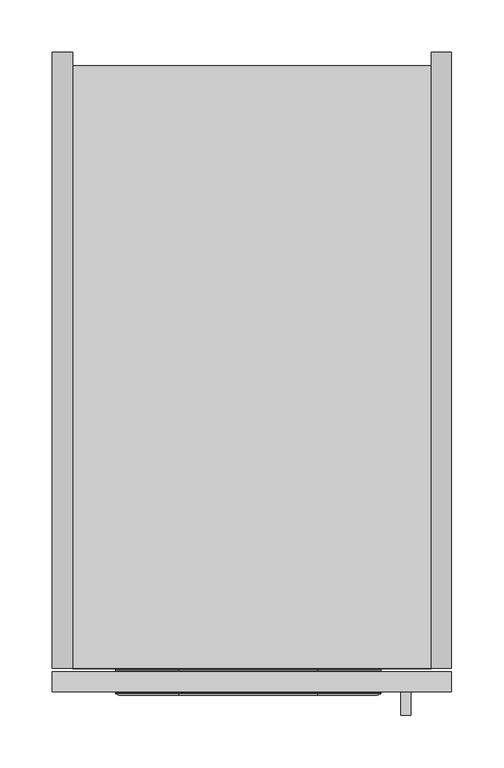
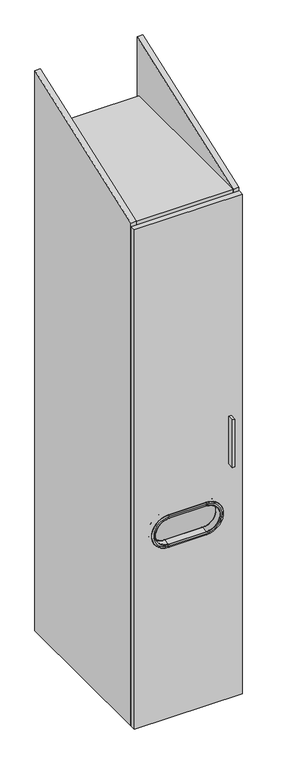
"""IFC4 building model written with IfcOpenShell, lengths in millimetres: furniture geometry."""

from ifc_helpers import new_model, si_unit, point, frame, frame_2d, origin, place, context, project, spatial, polyline, circle_curve, ellipse_curve, trimmed, segment, composite_curve, outline, extrude, source, transform, mapped, element, save
from ifc_brep_helpers import plane_surface, cylinder_surface, revolved_surface, advanced_brep


def furniture_2335bce4(model_context):
    return source(origin(), model_context, "Body", "SolidModel", [
        advanced_brep(
        [(253.6151653, -589.534, 751.5596495), (253.6151653, -589.534, 852.3976495), (253.6151653, -609.854, 852.3976495), (253.6151653, -609.854, 751.5596495), (253.6151653, -612.8512, 753.5037549), (253.6151653, -612.8512, 850.4535441), (253.6151653, -612.2580346, 849.8393034), (253.6151653, -612.2580346, 754.1179956), (253.6151653, -611.5287336, 742.0414745), (253.6151653, -611.5287336, 861.9158245), (253.6151653, -612.8512, 856.9544255), (253.6151653, -612.8512, 747.0028735), (253.6151653, -610.8578403, 741.6291455), (253.6151653, -610.8578403, 862.3281535), (253.6151653, -609.854, 741.5765364), (253.6151653, -609.854, 862.3807626), (120.2651653, -609.854, 751.5596495), (120.2651653, -589.534, 751.5596495), (120.2651653, -612.2580346, 754.1179956), (120.2651653, -612.8512, 753.5037549), (120.2651653, -612.8512, 747.0028735), (120.2651653, -611.5287336, 742.0414745), (120.2651653, -610.8578403, 741.6291455), (120.2651653, -609.854, 741.5765364), (120.2651653, -589.534, 852.3976495), (120.2651653, -609.854, 852.3976495), (120.2651653, -612.8512, 850.4535441), (120.2651653, -612.2580346, 849.8393034), (120.2651653, -611.5287336, 861.9158245), (120.2651653, -612.8512, 856.9544255), (120.2651653, -610.8578403, 862.3281535), (120.2651653, -609.854, 862.3807626), (253.6151653, -588.5301597, 741.6291455), (253.6151653, -588.5301597, 862.3281535), (253.6151653, -589.534, 862.3807626), (253.6151653, -589.534, 741.5765364), (253.6151653, -587.8592664, 742.0414745), (253.6151653, -587.8592664, 861.9158245), (253.6151653, -586.5368, 747.0028735), (253.6151653, -586.5368, 856.9544255), (253.6151653, -587.1299654, 754.1179956), (253.6151653, -587.1299654, 849.8393034), (253.6151653, -586.5368, 850.4535441), (253.6151653, -586.5368, 753.5037549), (120.2651653, -589.534, 741.5765364), (120.2651653, -588.5301597, 741.6291455), (120.2651653, -587.8592664, 742.0414745), (120.2651653, -586.5368, 747.0028735), (120.2651653, -586.5368, 753.5037549), (120.2651653, -587.1299654, 754.1179956), (120.2651653, -588.5301597, 862.3281535), (120.2651653, -589.534, 862.3807626), (120.2651653, -587.8592664, 861.9158245), (120.2651653, -586.5368, 856.9544255), (120.2651653, -587.1299654, 849.8393034), (120.2651653, -586.5368, 850.4535441)],
        [
            (0, 1, circle_curve(frame((253.6151653, -589.534, 801.9786495), z_axis=(0.0, -1.0, 0.0), x_axis=(0.0, 0.0, 1.0)), 50.419)),
            (1, 2),
            (2, 3, circle_curve(frame((253.6151653, -609.854, 801.9786495), z_axis=(0.0, 1.0, 0.0), x_axis=(0.0, 0.0, 1.0)), 50.419)),
            (3, 0),
            (4, 5, circle_curve(frame((253.6151653, -612.8512, 801.9786495), z_axis=(0.0, -1.0, 0.0), x_axis=(0.0, 0.0, 1.0)), 48.4748946)),
            (5, 6, circle_curve(frame((253.6151653, -612.2365849, 850.4535441), z_axis=(1.0, 0.0, 0.0), x_axis=(0.0, 0.0, 1.0)), 0.6146151)),
            (6, 7, circle_curve(frame((253.6151653, -612.2580346, 801.9786495), z_axis=(0.0, 1.0, 0.0), x_axis=(0.0, 0.0, 1.0)), 47.8606539)),
            (7, 4, circle_curve(frame((253.6151653, -612.2365849, 753.5037549), z_axis=(1.0, 0.0, 0.0), x_axis=(0.0, 0.0, -1.0)), 0.6146151)),
            (8, 9, circle_curve(frame((253.6151653, -611.5287336, 801.9786495), z_axis=(0.0, -1.0, 0.0), x_axis=(0.0, 0.0, 1.0)), 59.937175)),
            (9, 10, circle_curve(frame((253.6151653, -602.883311, 856.9544255), z_axis=(1.0, 0.0, 0.0), x_axis=(0.0, 0.0, 1.0)), 9.967889)),
            (10, 11, circle_curve(frame((253.6151653, -612.8512, 801.9786495), z_axis=(0.0, 1.0, 0.0), x_axis=(0.0, 0.0, 1.0)), 54.975776)),
            (11, 8, circle_curve(frame((253.6151653, -602.883311, 747.0028735), z_axis=(1.0, 0.0, 0.0), x_axis=(0.0, 0.0, -1.0)), 9.967889)),
            (12, 13, circle_curve(frame((253.6151653, -610.8578403, 801.9786495), z_axis=(0.0, -1.0, 0.0), x_axis=(0.0, 0.0, 1.0)), 60.349504)),
            (13, 9, circle_curve(frame((253.6151653, -610.8147579, 861.5060911), z_axis=(1.0, 0.0, 0.0), x_axis=(0.0, 0.0, 1.0)), 0.8231906)),
            (8, 12, circle_curve(frame((253.6151653, -610.8147579, 742.4512079), z_axis=(1.0, 0.0, 0.0), x_axis=(0.0, 0.0, -1.0)), 0.8231906)),
            (14, 15, circle_curve(frame((253.6151653, -609.854, 801.9786495), z_axis=(0.0, -1.0, 0.0), x_axis=(0.0, 0.0, 1.0)), 60.4021131)),
            (15, 13),
            (12, 14),
            (3, 16),
            (16, 17),
            (17, 0),
            (7, 18),
            (18, 19, circle_curve(frame((120.2651653, -612.2365849, 753.5037549), z_axis=(1.0, 0.0, 0.0), x_axis=(0.0, 0.0, -1.0)), 0.6146151)),
            (19, 4),
            (11, 20),
            (20, 21, circle_curve(frame((120.2651653, -602.883311, 747.0028735), z_axis=(1.0, 0.0, 0.0), x_axis=(0.0, 0.0, -1.0)), 9.967889)),
            (21, 8),
            (21, 22, circle_curve(frame((120.2651653, -610.8147579, 742.4512079), z_axis=(1.0, 0.0, 0.0), x_axis=(0.0, 0.0, -1.0)), 0.8231906)),
            (22, 12),
            (22, 23),
            (23, 14),
            (24, 17, circle_curve(frame((120.2651653, -589.534, 801.9786495), z_axis=(0.0, -1.0, 0.0), x_axis=(0.0, 0.0, -1.0)), 50.419)),
            (16, 25, circle_curve(frame((120.2651653, -609.854, 801.9786495), z_axis=(0.0, 1.0, 0.0), x_axis=(0.0, 0.0, -1.0)), 50.419)),
            (25, 24),
            (26, 19, circle_curve(frame((120.2651653, -612.8512, 801.9786495), z_axis=(0.0, -1.0, 0.0), x_axis=(0.0, 0.0, -1.0)), 48.4748946)),
            (18, 27, circle_curve(frame((120.2651653, -612.2580346, 801.9786495), z_axis=(0.0, 1.0, 0.0), x_axis=(0.0, 0.0, -1.0)), 47.8606539)),
            (27, 26, circle_curve(frame((120.2651653, -612.2365849, 850.4535441), z_axis=(-1.0, 0.0, 0.0), x_axis=(0.0, 0.0, 1.0)), 0.6146151)),
            (28, 21, circle_curve(frame((120.2651653, -611.5287336, 801.9786495), z_axis=(0.0, -1.0, 0.0), x_axis=(0.0, 0.0, -1.0)), 59.937175)),
            (20, 29, circle_curve(frame((120.2651653, -612.8512, 801.9786495), z_axis=(0.0, 1.0, 0.0), x_axis=(0.0, 0.0, -1.0)), 54.975776)),
            (29, 28, circle_curve(frame((120.2651653, -602.883311, 856.9544255), z_axis=(-1.0, 0.0, 0.0), x_axis=(0.0, 0.0, 1.0)), 9.967889)),
            (30, 22, circle_curve(frame((120.2651653, -610.8578403, 801.9786495), z_axis=(0.0, -1.0, 0.0), x_axis=(0.0, 0.0, -1.0)), 60.349504)),
            (28, 30, circle_curve(frame((120.2651653, -610.8147579, 861.5060911), z_axis=(-1.0, 0.0, 0.0), x_axis=(0.0, 0.0, 1.0)), 0.8231906)),
            (31, 23, circle_curve(frame((120.2651653, -609.854, 801.9786495), z_axis=(0.0, -1.0, 0.0), x_axis=(0.0, 0.0, -1.0)), 60.4021131)),
            (30, 31),
            (25, 2),
            (1, 24),
            (27, 6),
            (5, 26),
            (10, 29),
            (9, 28),
            (13, 30),
            (15, 31),
            (32, 33, circle_curve(frame((253.6151653, -588.5301597, 801.9786495), z_axis=(0.0, -1.0, 0.0), x_axis=(0.0, 0.0, 1.0)), 60.349504)),
            (33, 34),
            (34, 35, circle_curve(frame((253.6151653, -589.534, 801.9786495), z_axis=(0.0, 1.0, 0.0), x_axis=(0.0, 0.0, 1.0)), 60.4021131)),
            (35, 32),
            (36, 37, circle_curve(frame((253.6151653, -587.8592664, 801.9786495), z_axis=(0.0, -1.0, 0.0), x_axis=(0.0, 0.0, 1.0)), 59.937175)),
            (37, 33, circle_curve(frame((253.6151653, -588.5732421, 861.5060911), z_axis=(1.0, 0.0, 0.0), x_axis=(0.0, 0.0, 1.0)), 0.8231906)),
            (32, 36, circle_curve(frame((253.6151653, -588.5732421, 742.4512079), z_axis=(1.0, 0.0, 0.0), x_axis=(0.0, 0.0, -1.0)), 0.8231906)),
            (38, 39, circle_curve(frame((253.6151653, -586.5368, 801.9786495), z_axis=(0.0, -1.0, 0.0), x_axis=(0.0, 0.0, 1.0)), 54.975776)),
            (39, 37, circle_curve(frame((253.6151653, -596.504689, 856.9544255), z_axis=(1.0, 0.0, 0.0), x_axis=(0.0, 0.0, 1.0)), 9.967889)),
            (36, 38, circle_curve(frame((253.6151653, -596.504689, 747.0028735), z_axis=(1.0, 0.0, 0.0), x_axis=(0.0, 0.0, -1.0)), 9.967889)),
            (40, 41, circle_curve(frame((253.6151653, -587.1299654, 801.9786495), z_axis=(0.0, -1.0, 0.0), x_axis=(0.0, 0.0, 1.0)), 47.8606539)),
            (41, 42, circle_curve(frame((253.6151653, -587.1514151, 850.4535441), z_axis=(1.0, 0.0, 0.0), x_axis=(0.0, 0.0, 1.0)), 0.6146151)),
            (42, 43, circle_curve(frame((253.6151653, -586.5368, 801.9786495), z_axis=(0.0, 1.0, 0.0), x_axis=(0.0, 0.0, 1.0)), 48.4748946)),
            (43, 40, circle_curve(frame((253.6151653, -587.1514151, 753.5037549), z_axis=(1.0, 0.0, 0.0), x_axis=(0.0, 0.0, -1.0)), 0.6146151)),
            (6, 41),
            (40, 7),
            (35, 44),
            (44, 45),
            (45, 32),
            (45, 46, circle_curve(frame((120.2651653, -588.5732421, 742.4512079), z_axis=(1.0, 0.0, 0.0), x_axis=(0.0, 0.0, -1.0)), 0.8231906)),
            (46, 36),
            (46, 47, circle_curve(frame((120.2651653, -596.504689, 747.0028735), z_axis=(1.0, 0.0, 0.0), x_axis=(0.0, 0.0, -1.0)), 9.967889)),
            (47, 38),
            (43, 48),
            (48, 49, circle_curve(frame((120.2651653, -587.1514151, 753.5037549), z_axis=(1.0, 0.0, 0.0), x_axis=(0.0, 0.0, -1.0)), 0.6146151)),
            (49, 40),
            (49, 18),
            (50, 45, circle_curve(frame((120.2651653, -588.5301597, 801.9786495), z_axis=(0.0, -1.0, 0.0), x_axis=(0.0, 0.0, -1.0)), 60.349504)),
            (44, 51, circle_curve(frame((120.2651653, -589.534, 801.9786495), z_axis=(0.0, 1.0, 0.0), x_axis=(0.0, 0.0, -1.0)), 60.4021131)),
            (51, 50),
            (52, 46, circle_curve(frame((120.2651653, -587.8592664, 801.9786495), z_axis=(0.0, -1.0, 0.0), x_axis=(0.0, 0.0, -1.0)), 59.937175)),
            (50, 52, circle_curve(frame((120.2651653, -588.5732421, 861.5060911), z_axis=(-1.0, 0.0, 0.0), x_axis=(0.0, 0.0, 1.0)), 0.8231906)),
            (53, 47, circle_curve(frame((120.2651653, -586.5368, 801.9786495), z_axis=(0.0, -1.0, 0.0), x_axis=(0.0, 0.0, -1.0)), 54.975776)),
            (52, 53, circle_curve(frame((120.2651653, -596.504689, 856.9544255), z_axis=(-1.0, 0.0, 0.0), x_axis=(0.0, 0.0, 1.0)), 9.967889)),
            (54, 49, circle_curve(frame((120.2651653, -587.1299654, 801.9786495), z_axis=(0.0, -1.0, 0.0), x_axis=(0.0, 0.0, -1.0)), 47.8606539)),
            (48, 55, circle_curve(frame((120.2651653, -586.5368, 801.9786495), z_axis=(0.0, 1.0, 0.0), x_axis=(0.0, 0.0, -1.0)), 48.4748946)),
            (55, 54, circle_curve(frame((120.2651653, -587.1514151, 850.4535441), z_axis=(-1.0, 0.0, 0.0), x_axis=(0.0, 0.0, 1.0)), 0.6146151)),
            (54, 27),
            (34, 51),
            (33, 50),
            (37, 52),
            (39, 53),
            (42, 55),
            (41, 54),
        ],
        [
            cylinder_surface(frame((253.6151653, -609.854, 801.9786495), z_axis=(0.0, 1.0, 0.0), x_axis=(0.0, 0.0, 1.0)), 50.419),
            revolved_surface(trimmed(ellipse_curve(frame((253.6151653, -612.2365849, 850.4535441), z_axis=(-1.0, 0.0, 0.0), x_axis=(0.0, 0.0, 1.0)), 0.6146151, 0.6146151), [point((253.6151653, -612.2580346, 849.8393034))], [point((253.6151653, -612.8512, 850.4535441))], True, "CARTESIAN"), (253.6151653, -609.854, 801.9786495), (0.0, 1.0, 0.0)),
            revolved_surface(trimmed(ellipse_curve(frame((253.6151653, -602.883311, 856.9544255), z_axis=(-1.0, 0.0, 0.0), x_axis=(0.0, 0.0, 1.0)), 9.967889, 9.967889), [point((253.6151653, -612.8512, 856.9544255))], [point((253.6151653, -611.5287336, 861.9158245))], True, "CARTESIAN"), (253.6151653, -609.854, 801.9786495), (0.0, 1.0, 0.0)),
            revolved_surface(trimmed(ellipse_curve(frame((253.6151653, -610.8147579, 861.5060911), z_axis=(-1.0, 0.0, 0.0), x_axis=(0.0, 0.0, 1.0)), 0.8231906, 0.8231906), [point((253.6151653, -611.5287336, 861.9158245))], [point((253.6151653, -610.8578403, 862.3281535))], True, "CARTESIAN"), (253.6151653, -609.854, 801.9786495), (0.0, 1.0, 0.0)),
            revolved_surface(polyline([(253.6151653, -610.8578403, 862.3281535), (253.6151653, -609.854, 862.3807626)]), (253.6151653, -609.854, 801.9786495), (0.0, 1.0, 0.0)),
            plane_surface(frame((253.6151653, -609.854, 751.5596495), z_axis=(0.0, 0.0, -1.0), x_axis=(-1.0, 0.0, 0.0))),
            cylinder_surface(frame((253.6151653, -612.2365849, 753.5037549), z_axis=(1.0, 0.0, 0.0), x_axis=(0.0, 0.0, -1.0)), 0.6146151),
            cylinder_surface(frame((253.6151653, -602.883311, 747.0028735), z_axis=(1.0, 0.0, 0.0), x_axis=(0.0, 0.0, -1.0)), 9.967889),
            cylinder_surface(frame((253.6151653, -610.8147579, 742.4512079), z_axis=(1.0, 0.0, 0.0), x_axis=(0.0, 0.0, -1.0)), 0.8231906),
            plane_surface(frame((253.6151653, -610.8578403, 741.6291455), z_axis=(0.0, -0.05233595624283951, -0.9986295347545795), x_axis=(-1.0, 0.0, 0.0))),
            cylinder_surface(frame((120.2651653, -609.854, 801.9786495), z_axis=(0.0, 1.0, 0.0), x_axis=(0.0, 0.0, -1.0)), 50.419),
            revolved_surface(trimmed(ellipse_curve(frame((120.2651653, -612.2365849, 753.5037549), z_axis=(1.0, 0.0, 0.0), x_axis=(0.0, 0.0, -1.0)), 0.6146151, 0.6146151), [point((120.2651653, -612.2580346, 754.1179956))], [point((120.2651653, -612.8512, 753.5037549))], True, "CARTESIAN"), (120.2651653, -609.854, 801.9786495), (0.0, 1.0, 0.0)),
            revolved_surface(trimmed(ellipse_curve(frame((120.2651653, -602.883311, 747.0028735), z_axis=(1.0, 0.0, 0.0), x_axis=(0.0, 0.0, -1.0)), 9.967889, 9.967889), [point((120.2651653, -612.8512, 747.0028735))], [point((120.2651653, -611.5287336, 742.0414745))], True, "CARTESIAN"), (120.2651653, -609.854, 801.9786495), (0.0, 1.0, 0.0)),
            revolved_surface(trimmed(ellipse_curve(frame((120.2651653, -610.8147579, 742.4512079), z_axis=(1.0, 0.0, 0.0), x_axis=(0.0, 0.0, -1.0)), 0.8231906, 0.8231906), [point((120.2651653, -611.5287336, 742.0414745))], [point((120.2651653, -610.8578403, 741.6291455))], True, "CARTESIAN"), (120.2651653, -609.854, 801.9786495), (0.0, 1.0, 0.0)),
            revolved_surface(polyline([(120.2651653, -610.8578403, 741.6291455), (120.2651653, -609.854, 741.5765364)]), (120.2651653, -609.854, 801.9786495), (0.0, 1.0, 0.0)),
            plane_surface(frame((120.2651653, -609.854, 852.3976495), z_axis=(0.0, 0.0, 1.0), x_axis=(1.0, 0.0, 0.0))),
            cylinder_surface(frame((120.2651653, -612.2365849, 850.4535441), z_axis=(-1.0, 0.0, 0.0), x_axis=(0.0, 0.0, 1.0)), 0.6146151),
            plane_surface(frame((120.2651653, -612.8512, 850.4535441), z_axis=(0.0, -1.0, 0.0), x_axis=(1.0, 0.0, 0.0))),
            cylinder_surface(frame((120.2651653, -602.883311, 856.9544255), z_axis=(-1.0, 0.0, 0.0), x_axis=(0.0, 0.0, 1.0)), 9.967889),
            cylinder_surface(frame((120.2651653, -610.8147579, 861.5060911), z_axis=(-1.0, 0.0, 0.0), x_axis=(0.0, 0.0, 1.0)), 0.8231906),
            plane_surface(frame((120.2651653, -610.8578403, 862.3281535), z_axis=(0.0, -0.05233595624293808, 0.9986295347545743), x_axis=(1.0, 0.0, 0.0))),
            plane_surface(frame((120.2651653, -609.854, 862.3807626), z_axis=(0.0, 1.0, 0.0), x_axis=(1.0, 0.0, 0.0))),
            revolved_surface(polyline([(253.6151653, -589.534, 862.3807626), (253.6151653, -588.5301597, 862.3281535)]), (253.6151653, -609.854, 801.9786495), (0.0, 1.0, 0.0)),
            revolved_surface(trimmed(ellipse_curve(frame((253.6151653, -588.5732421, 861.5060911), z_axis=(-1.0, 0.0, 0.0), x_axis=(0.0, 0.0, 1.0)), 0.8231906, 0.8231906), [point((253.6151653, -588.5301597, 862.3281535))], [point((253.6151653, -587.8592664, 861.9158245))], True, "CARTESIAN"), (253.6151653, -609.854, 801.9786495), (0.0, 1.0, 0.0)),
            revolved_surface(trimmed(ellipse_curve(frame((253.6151653, -596.504689, 856.9544255), z_axis=(-1.0, 0.0, 0.0), x_axis=(0.0, 0.0, 1.0)), 9.967889, 9.967889), [point((253.6151653, -587.8592664, 861.9158245))], [point((253.6151653, -586.5368, 856.9544255))], True, "CARTESIAN"), (253.6151653, -609.854, 801.9786495), (0.0, 1.0, 0.0)),
            revolved_surface(trimmed(ellipse_curve(frame((253.6151653, -587.1514151, 850.4535441), z_axis=(-1.0, 0.0, 0.0), x_axis=(0.0, 0.0, 1.0)), 0.6146151, 0.6146151), [point((253.6151653, -586.5368, 850.4535441))], [point((253.6151653, -587.1299654, 849.8393034))], True, "CARTESIAN"), (253.6151653, -609.854, 801.9786495), (0.0, 1.0, 0.0)),
            revolved_surface(polyline([(253.6151653, -587.1299654, 849.8393034), (253.6151653, -612.2580346, 849.8393034)]), (253.6151653, -609.854, 801.9786495), (0.0, 1.0, 0.0)),
            plane_surface(frame((253.6151653, -589.534, 741.5765364), z_axis=(0.0, 0.052335956243036656, -0.9986295347545691), x_axis=(-1.0, 0.0, 0.0))),
            cylinder_surface(frame((253.6151653, -588.5732421, 742.4512079), z_axis=(1.0, 0.0, 0.0), x_axis=(0.0, 0.0, -1.0)), 0.8231906),
            cylinder_surface(frame((253.6151653, -596.504689, 747.0028735), z_axis=(1.0, 0.0, 0.0), x_axis=(0.0, 0.0, -1.0)), 9.967889),
            cylinder_surface(frame((253.6151653, -587.1514151, 753.5037549), z_axis=(1.0, 0.0, 0.0), x_axis=(0.0, 0.0, -1.0)), 0.6146151),
            plane_surface(frame((253.6151653, -587.1299654, 754.1179956), z_axis=(0.0, 0.0, 1.0), x_axis=(-1.0, 0.0, 0.0))),
            revolved_surface(polyline([(120.2651653, -589.534, 741.5765364), (120.2651653, -588.5301597, 741.6291455)]), (120.2651653, -609.854, 801.9786495), (0.0, 1.0, 0.0)),
            revolved_surface(trimmed(ellipse_curve(frame((120.2651653, -588.5732421, 742.4512079), z_axis=(1.0, 0.0, 0.0), x_axis=(0.0, 0.0, -1.0)), 0.8231906, 0.8231906), [point((120.2651653, -588.5301597, 741.6291455))], [point((120.2651653, -587.8592664, 742.0414745))], True, "CARTESIAN"), (120.2651653, -609.854, 801.9786495), (0.0, 1.0, 0.0)),
            revolved_surface(trimmed(ellipse_curve(frame((120.2651653, -596.504689, 747.0028735), z_axis=(1.0, 0.0, 0.0), x_axis=(0.0, 0.0, -1.0)), 9.967889, 9.967889), [point((120.2651653, -587.8592664, 742.0414745))], [point((120.2651653, -586.5368, 747.0028735))], True, "CARTESIAN"), (120.2651653, -609.854, 801.9786495), (0.0, 1.0, 0.0)),
            revolved_surface(trimmed(ellipse_curve(frame((120.2651653, -587.1514151, 753.5037549), z_axis=(1.0, 0.0, 0.0), x_axis=(0.0, 0.0, -1.0)), 0.6146151, 0.6146151), [point((120.2651653, -586.5368, 753.5037549))], [point((120.2651653, -587.1299654, 754.1179956))], True, "CARTESIAN"), (120.2651653, -609.854, 801.9786495), (0.0, 1.0, 0.0)),
            revolved_surface(polyline([(120.2651653, -587.1299654, 754.1179956), (120.2651653, -612.2580346, 754.1179956)]), (120.2651653, -609.854, 801.9786495), (0.0, 1.0, 0.0)),
            plane_surface(frame((120.2651653, -589.534, 852.3976495), z_axis=(0.0, -1.0, 0.0), x_axis=(1.0, 0.0, 0.0))),
            plane_surface(frame((120.2651653, -589.534, 862.3807626), z_axis=(0.0, 0.05233595624293808, 0.9986295347545743), x_axis=(1.0, 0.0, 0.0))),
            cylinder_surface(frame((120.2651653, -588.5732421, 861.5060911), z_axis=(-1.0, 0.0, 0.0), x_axis=(0.0, 0.0, 1.0)), 0.8231906),
            cylinder_surface(frame((120.2651653, -596.504689, 856.9544255), z_axis=(-1.0, 0.0, 0.0), x_axis=(0.0, 0.0, 1.0)), 9.967889),
            plane_surface(frame((120.2651653, -586.5368, 856.9544255), z_axis=(0.0, 1.0, 0.0), x_axis=(1.0, 0.0, 0.0))),
            cylinder_surface(frame((120.2651653, -587.1514151, 850.4535441), z_axis=(-1.0, 0.0, 0.0), x_axis=(0.0, 0.0, 1.0)), 0.6146151),
            plane_surface(frame((120.2651653, -587.1299654, 849.8393034), z_axis=(0.0, 0.0, -1.0), x_axis=(1.0, 0.0, 0.0))),
        ],
        [
            (0, [[1, 2, 3, 4]]),
            (1, [[5, 6, 7, 8]]),
            (2, [[9, 10, 11, 12]]),
            (3, [[13, 14, -9, 15]]),
            (4, [[16, 17, -13, 18]]),
            (5, [[-4, 19, 20, 21]]),
            (6, [[-8, 22, 23, 24]]),
            (7, [[-12, 25, 26, 27]]),
            (8, [[-15, -27, 28, 29]]),
            (9, [[-18, -29, 30, 31]]),
            (10, [[32, -20, 33, 34]]),
            (11, [[35, -23, 36, 37]]),
            (12, [[38, -26, 39, 40]]),
            (13, [[41, -28, -38, 42]]),
            (14, [[43, -30, -41, 44]]),
            (15, [[-34, 45, -2, 46]]),
            (16, [[-37, 47, -6, 48]]),
            (17, [[49, -39, -25, -11], [-24, -35, -48, -5]]),
            (18, [[-40, -49, -10, 50]]),
            (19, [[-42, -50, -14, 51]]),
            (20, [[-44, -51, -17, 52]]),
            (21, [[-31, -43, -52, -16], [-45, -33, -19, -3]]),
            (22, [[53, 54, 55, 56]]),
            (23, [[57, 58, -53, 59]]),
            (24, [[60, 61, -57, 62]]),
            (25, [[63, 64, 65, 66]]),
            (26, [[-7, 67, -63, 68]]),
            (27, [[-56, 69, 70, 71]]),
            (28, [[-59, -71, 72, 73]]),
            (29, [[-62, -73, 74, 75]]),
            (30, [[-66, 76, 77, 78]]),
            (31, [[-68, -78, 79, -22]]),
            (32, [[80, -70, 81, 82]]),
            (33, [[83, -72, -80, 84]]),
            (34, [[85, -74, -83, 86]]),
            (35, [[87, -77, 88, 89]]),
            (36, [[-36, -79, -87, 90]]),
            (37, [[91, -81, -69, -55], [-21, -32, -46, -1]]),
            (38, [[-82, -91, -54, 92]]),
            (39, [[-84, -92, -58, 93]]),
            (40, [[-86, -93, -61, 94]]),
            (41, [[-75, -85, -94, -60], [95, -88, -76, -65]]),
            (42, [[-89, -95, -64, 96]]),
            (43, [[-90, -96, -67, -47]]),
        ],
    ),
        extrude(outline(polyline([(342.2638631, -632.079), (332.7388631, -632.079), (332.7388631, -609.854), (342.2638631, -609.854), (342.2638631, -632.079)])), frame((0.0, 0.0, 977.9000121), z_axis=(0.0, 0.0, 1.0), x_axis=(1.0, 0.0, 0.0)), (0.0, 0.0, 1.0), 177.8),
        extrude(outline(polyline([(0.0, 2194.814), (0.0, 101.6), (-587.375, 101.6), (-587.375, 1981.2035378), (0.0, 2194.814)])), frame((0.0, 0.0, 0.0), z_axis=(1.0, 0.0, 0.0), x_axis=(0.0, 1.0, 0.0)), (0.0, 0.0, 1.0), 19.304),
        extrude(outline(polyline([(0.0, 2194.814), (0.0, 101.6), (-587.375, 101.6), (-587.375, 1981.2035378), (0.0, 2194.814)])), frame((361.696, 0.0, 0.0), z_axis=(1.0, 0.0, 0.0), x_axis=(0.0, 1.0, 0.0)), (0.0, 0.0, 1.0), 19.304),
        extrude(outline(polyline([(361.696, -587.375), (19.304, -587.375), (19.304, -32.004), (361.696, -32.004), (361.696, -587.375)])), frame((0.0, 0.0, 101.6), z_axis=(0.0, 0.0, 1.0), x_axis=(1.0, 0.0, 0.0)), (0.0, 0.0, 1.0), 19.304),
        extrude(outline(polyline([(101.6, 0.0), (101.6, 381.0), (1969.516, 381.0), (1969.516, 0.0), (101.6, 0.0)]), holes=[composite_curve([segment(polyline([(754.1179956, 253.6151653), (754.1179956, 120.2651653)]), True, "CONTINUOUS"), segment(trimmed(circle_curve(frame_2d((801.9786644, 120.2651653)), 47.8606688), [point((754.1179956, 120.2651653))], [point((849.8393332, 120.2651653))], True, "CARTESIAN"), True, "CONTINUOUS"), segment(polyline([(849.8393332, 120.2651653), (849.8393332, 253.6151653)]), True, "CONTINUOUS"), segment(trimmed(circle_curve(frame_2d((801.9786644, 253.6151653)), 47.8606688), [point((849.8393332, 253.6151653))], [point((754.1179956, 253.6151653))], True, "CARTESIAN"), True, "CONTINUOUS")], self_intersect=False)]), frame((0.0, -609.854, 0.0), z_axis=(0.0, 1.0, 0.0), x_axis=(0.0, 0.0, 1.0)), (0.0, 0.0, 1.0), 19.304),
        extrude(outline(polyline([(361.696, -12.7), (361.696, -587.375), (19.304, -587.375), (19.304, -12.7), (361.696, -12.7)])), frame((0.0, 0.0, 1961.896), z_axis=(0.0, 0.0, 1.0), x_axis=(1.0, 0.0, 0.0)), (0.0, 0.0, 1.0), 19.304),
        extrude(outline(polyline([(361.696, -12.7), (361.696, -32.004), (19.304, -32.004), (19.304, -12.7), (361.696, -12.7)])), frame((0.0, 0.0, 101.6), z_axis=(0.0, 0.0, 1.0), x_axis=(1.0, 0.0, 0.0)), (0.0, 0.0, 1.0), 1860.296),
    ])


if __name__ == "__main__":
    model = new_model("IFC4")
    model_context = context("Model", 3, world=origin())
    ifc_project = project(units=[si_unit("LENGTHUNIT", "METRE", prefix="MILLI")], contexts=[model_context])
    site = spatial("IfcSite", under=ifc_project)
    building = spatial("IfcBuilding", under=site)
    placement = place(None, origin())
    furniture_shape = furniture_2335bce4(model_context)
    element("IfcFurniture", 1, at=placement, inside=building, context=model_context, shape_type="MappedRepresentation", body=[
        mapped(furniture_shape, transform((0.0, 0.0, 0.0), x_axis=(1.0, 0.0, 0.0), y_axis=(0.0, 1.0, 0.0), z_axis=(0.0, 0.0, 1.0))),
    ])
    save(model, "model.ifc")
